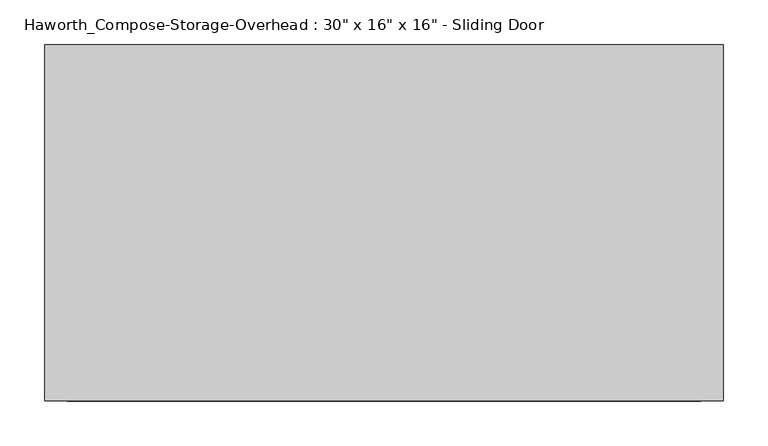
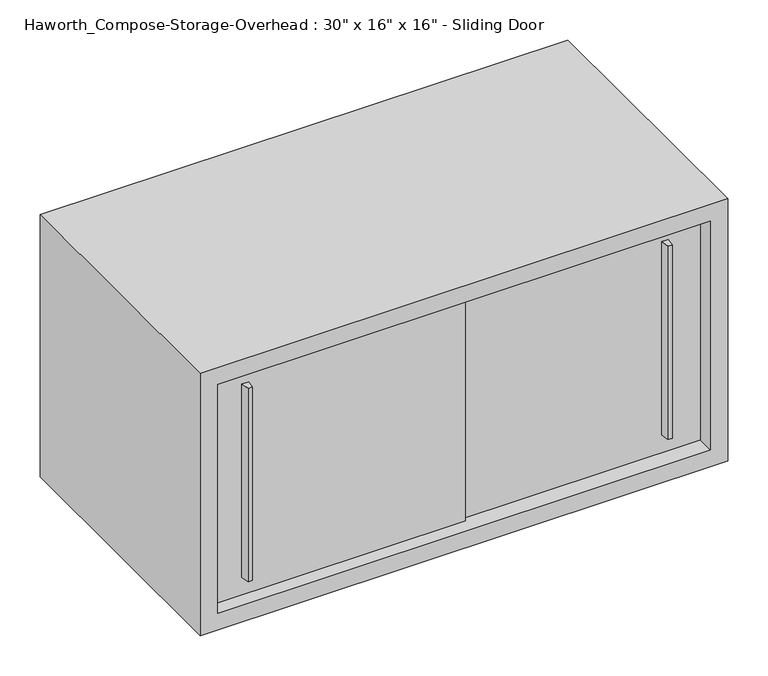
"""IFC4 building model written with IfcOpenShell, lengths in millimetres: furniture geometry."""

from ifc_helpers import new_model, si_unit, frame, origin, place, context, project, spatial, polyline, outline, extrude, source, transform, mapped, element, save


def furniture_f65f12a5(model_context):
    return source(origin(), model_context, "Body", "SweptSolid", [
        extrude(outline(polyline([(473.0750004, -387.3499879), (466.7249996, -387.3499879), (465.1375011, -374.65), (474.6624989, -374.65), (473.0750004, -387.3499879)])), frame((0.0, 0.0, 1296.9875), z_axis=(0.0, 0.0, 1.0), x_axis=(1.0, 0.0, 0.0)), (0.0, 0.0, 1.0), 295.275),
        extrude(outline(polyline([(-136.5249996, -393.6999879), (-142.8750004, -393.6999879), (-144.4624989, -381.0), (-134.9375011, -381.0), (-136.5249996, -393.6999879)])), frame((0.0, 0.0, 1296.9875), z_axis=(0.0, 0.0, 1.0), x_axis=(1.0, 0.0, 0.0)), (0.0, 0.0, 1.0), 295.275),
        extrude(outline(polyline([(-190.5, -374.65), (177.8, -374.65), (177.8, -381.0), (-190.5, -381.0), (-190.5, -374.65)])), frame((0.0, 0.0, 1270.0), z_axis=(0.0, 0.0, 1.0), x_axis=(1.0, 0.0, 0.0)), (0.0, 0.0, 1.0), 349.25),
        extrude(outline(polyline([(152.4, -368.3), (520.7, -368.3), (520.7, -374.65), (152.4, -374.65), (152.4, -368.3)])), frame((0.0, 0.0, 1270.0), z_axis=(0.0, 0.0, 1.0), x_axis=(1.0, 0.0, 0.0)), (0.0, 0.0, 1.0), 349.25),
        extrude(outline(polyline([(520.7, -6.35), (-190.5, -6.35), (-190.5, 0.0), (520.7, 0.0), (520.7, -6.35)])), frame((0.0, 0.0, 1270.0), z_axis=(0.0, 0.0, 1.0), x_axis=(1.0, 0.0, 0.0)), (0.0, 0.0, 1.0), 349.25),
        extrude(outline(polyline([(1244.6, 546.1), (1644.65, 546.1), (1644.65, -215.9), (1244.6, -215.9), (1244.6, 546.1)]), holes=[polyline([(1619.25, 520.7), (1270.0, 520.7), (1270.0, -190.5), (1619.25, -190.5), (1619.25, 520.7)])]), frame((0.0, -400.05, 0.0), z_axis=(0.0, 1.0, 0.0), x_axis=(0.0, 0.0, 1.0)), (0.0, 0.0, 1.0), 400.05),
    ])


if __name__ == "__main__":
    model = new_model("IFC4")
    model_context = context("Model", 3, world=origin())
    ifc_project = project(units=[si_unit("LENGTHUNIT", "METRE", prefix="MILLI")], contexts=[model_context])
    site = spatial("IfcSite", under=ifc_project)
    building = spatial("IfcBuilding", under=site)
    placement = place(None, origin())
    furniture_shape = furniture_f65f12a5(model_context)
    element("IfcFurniture", 1, ObjectType="Haworth_Compose-Storage-Overhead : 30\" x 16\" x 16\" - Sliding Door", at=placement, inside=building, context=model_context, shape_type="MappedRepresentation", body=[
        mapped(furniture_shape, transform((0.0, 0.0, 0.0), x_axis=(1.0, 0.0, 0.0), y_axis=(0.0, 1.0, 0.0), z_axis=(0.0, 0.0, 1.0))),
    ])
    save(model, "model.ifc")
